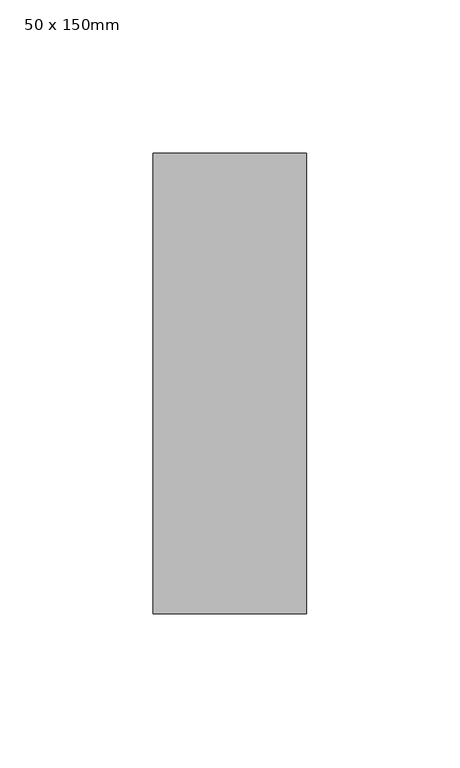
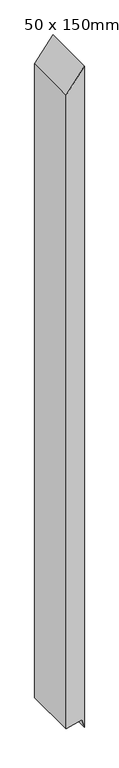
"""IFC4 building model written with IfcOpenShell, lengths in millimetres: member geometry, 50 x 150mm."""

from ifc_helpers import new_model, si_unit, frame, origin, place, context, project, spatial, polyline, outline, extrude, source, transform, mapped, element, save


def member_50_x_150mm_65961da5(model_context):
    return source(origin(), model_context, "Body", "SweptSolid", [
        extrude(outline(polyline([(0.0, 0.0), (-66.7677638, -50.0), (-1908.8713376, -50.0), (-1897.2076368, -6.4704761), (-1921.3557825, 0.0), (0.0, 0.0)])), frame((0.0, -75.0, 0.0), z_axis=(0.0, 1.0, 0.0), x_axis=(0.0, 0.0, 1.0)), (0.0, 0.0, 1.0), 150.0),
    ])


if __name__ == "__main__":
    model = new_model("IFC4")
    model_context = context("Model", 3, world=origin())
    ifc_project = project(units=[si_unit("LENGTHUNIT", "METRE", prefix="MILLI")], contexts=[model_context])
    site = spatial("IfcSite", under=ifc_project)
    building = spatial("IfcBuilding", under=site)
    placement = place(None, origin())
    member_50_x_150mm_shape = member_50_x_150mm_65961da5(model_context)
    element("IfcMember", 1, ObjectType="50 x 150mm", at=placement, inside=building, context=model_context, shape_type="MappedRepresentation", body=[
        mapped(member_50_x_150mm_shape, transform((0.0, 0.0, 0.0), x_axis=(1.0, 0.0, 0.0), y_axis=(0.0, 1.0, 0.0), z_axis=(0.0, 0.0, 1.0))),
    ])
    save(model, "model.ifc")
